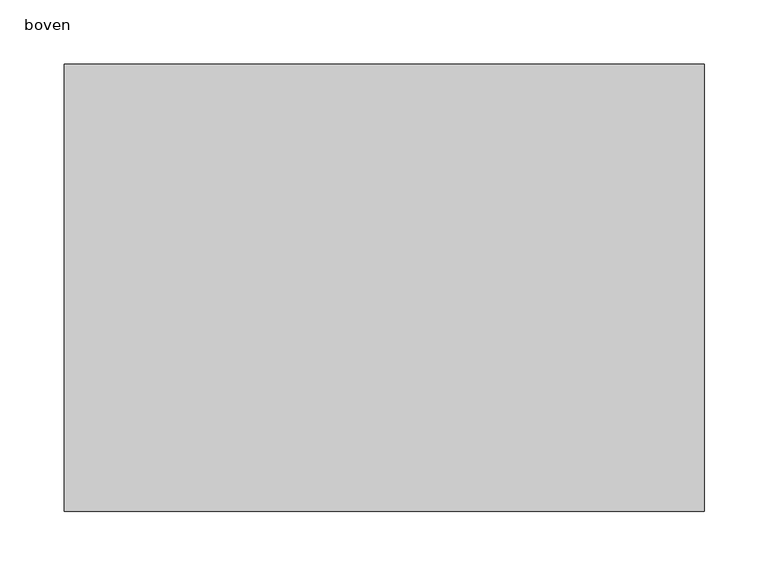
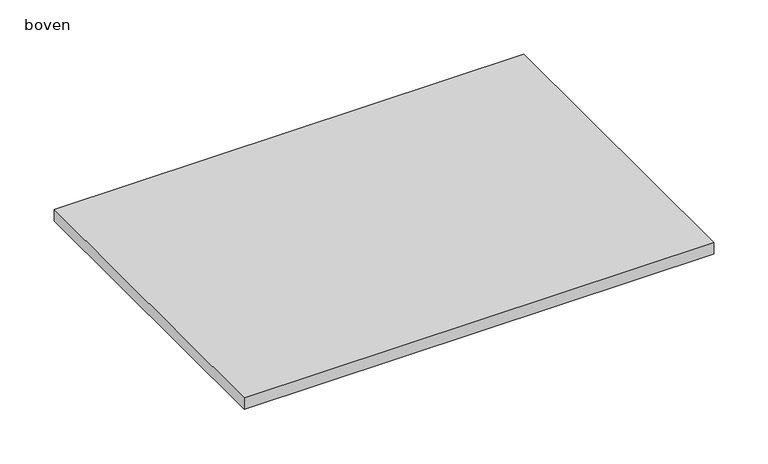
"""IFC4 building model written with IfcOpenShell, lengths in millimetres: furniture geometry, boven."""

from ifc_helpers import new_model, si_unit, frame, origin, place, context, project, spatial, polyline, circle_curve, source, transform, mapped, element, save
from ifc_brep_helpers import plane_surface, revolved_surface, advanced_brep


def boven_765894f6(model_context):
    return source(origin(), model_context, "Body", "AdvancedBrep", [
        advanced_brep(
        [(250.0, 175.0, 13.0), (-250.0, 175.0, 13.0), (-250.0, -175.0, 13.0), (250.0, -175.0, 13.0), (250.0, 175.0, 0.0), (250.0, -175.0, 0.0), (-250.0, -175.0, 0.0), (-250.0, 175.0, 0.0), (-82.1, 90.0, 0.0), (-77.9, 90.0, 0.0), (-49.1, 30.0, 0.0), (-44.9, 30.0, 0.0), (67.9, 90.0, 0.0), (72.1, 90.0, 0.0), (100.9, 30.0, 0.0), (105.1, 30.0, 0.0), (-49.1, -30.0, 0.0), (-44.9, -30.0, 0.0), (-82.1, -90.0, 0.0), (-77.9, -90.0, 0.0), (100.9, -30.0, 0.0), (105.1, -30.0, 0.0), (67.9, -90.0, 0.0), (72.1, -90.0, 0.0), (-82.1, 90.0, 11.0), (-77.9, 90.0, 11.0), (-49.1, 30.0, 11.0), (-44.9, 30.0, 11.0), (-49.1, -30.0, 11.0), (-44.9, -30.0, 11.0), (-82.1, -90.0, 11.0), (-77.9, -90.0, 11.0), (67.9, 90.0, 11.0), (72.1, 90.0, 11.0), (100.9, 30.0, 11.0), (105.1, 30.0, 11.0), (100.9, -30.0, 11.0), (105.1, -30.0, 11.0), (67.9, -90.0, 11.0), (72.1, -90.0, 11.0)],
        [
            (0, 1),
            (1, 2),
            (2, 3),
            (3, 0),
            (4, 5),
            (5, 6),
            (6, 7),
            (7, 4),
            (8, 9, circle_curve(frame((-80.0, 90.0, 0.0), z_axis=(0.0, 0.0, 1.0), x_axis=(1.0, 0.0, 0.0)), 2.1)),
            (9, 8, circle_curve(frame((-80.0, 90.0, 0.0), z_axis=(0.0, 0.0, 1.0), x_axis=(1.0, 0.0, 0.0)), 2.1)),
            (10, 11, circle_curve(frame((-47.0, 30.0, 0.0), z_axis=(0.0, 0.0, 1.0), x_axis=(1.0, 0.0, 0.0)), 2.1)),
            (11, 10, circle_curve(frame((-47.0, 30.0, 0.0), z_axis=(0.0, 0.0, 1.0), x_axis=(1.0, 0.0, 0.0)), 2.1)),
            (12, 13, circle_curve(frame((70.0, 90.0, 0.0), z_axis=(0.0, 0.0, 1.0), x_axis=(1.0, 0.0, 0.0)), 2.1)),
            (13, 12, circle_curve(frame((70.0, 90.0, 0.0), z_axis=(0.0, 0.0, 1.0), x_axis=(1.0, 0.0, 0.0)), 2.1)),
            (14, 15, circle_curve(frame((103.0, 30.0, 0.0), z_axis=(0.0, 0.0, 1.0), x_axis=(1.0, 0.0, 0.0)), 2.1)),
            (15, 14, circle_curve(frame((103.0, 30.0, 0.0), z_axis=(0.0, 0.0, 1.0), x_axis=(1.0, 0.0, 0.0)), 2.1)),
            (16, 17, circle_curve(frame((-47.0, -30.0, 0.0), z_axis=(0.0, 0.0, 1.0), x_axis=(1.0, 0.0, 0.0)), 2.1)),
            (17, 16, circle_curve(frame((-47.0, -30.0, 0.0), z_axis=(0.0, 0.0, 1.0), x_axis=(1.0, 0.0, 0.0)), 2.1)),
            (18, 19, circle_curve(frame((-80.0, -90.0, 0.0), z_axis=(0.0, 0.0, 1.0), x_axis=(1.0, 0.0, 0.0)), 2.1)),
            (19, 18, circle_curve(frame((-80.0, -90.0, 0.0), z_axis=(0.0, 0.0, 1.0), x_axis=(1.0, 0.0, 0.0)), 2.1)),
            (20, 21, circle_curve(frame((103.0, -30.0, 0.0), z_axis=(0.0, 0.0, 1.0), x_axis=(1.0, 0.0, 0.0)), 2.1)),
            (21, 20, circle_curve(frame((103.0, -30.0, 0.0), z_axis=(0.0, 0.0, 1.0), x_axis=(1.0, 0.0, 0.0)), 2.1)),
            (22, 23, circle_curve(frame((70.0, -90.0, 0.0), z_axis=(0.0, 0.0, 1.0), x_axis=(1.0, 0.0, 0.0)), 2.1)),
            (23, 22, circle_curve(frame((70.0, -90.0, 0.0), z_axis=(0.0, 0.0, 1.0), x_axis=(1.0, 0.0, 0.0)), 2.1)),
            (0, 4),
            (7, 1),
            (6, 2),
            (5, 3),
            (24, 25, circle_curve(frame((-80.0, 90.0, 11.0), z_axis=(0.0, 0.0, -1.0), x_axis=(1.0, 0.0, 0.0)), 2.1)),
            (25, 24, circle_curve(frame((-80.0, 90.0, 11.0), z_axis=(0.0, 0.0, -1.0), x_axis=(1.0, 0.0, 0.0)), 2.1)),
            (26, 27, circle_curve(frame((-47.0, 30.0, 11.0), z_axis=(0.0, 0.0, -1.0), x_axis=(1.0, 0.0, 0.0)), 2.1)),
            (27, 26, circle_curve(frame((-47.0, 30.0, 11.0), z_axis=(0.0, 0.0, -1.0), x_axis=(1.0, 0.0, 0.0)), 2.1)),
            (28, 29, circle_curve(frame((-47.0, -30.0, 11.0), z_axis=(0.0, 0.0, -1.0), x_axis=(1.0, 0.0, 0.0)), 2.1)),
            (29, 28, circle_curve(frame((-47.0, -30.0, 11.0), z_axis=(0.0, 0.0, -1.0), x_axis=(1.0, 0.0, 0.0)), 2.1)),
            (30, 31, circle_curve(frame((-80.0, -90.0, 11.0), z_axis=(0.0, 0.0, -1.0), x_axis=(1.0, 0.0, 0.0)), 2.1)),
            (31, 30, circle_curve(frame((-80.0, -90.0, 11.0), z_axis=(0.0, 0.0, -1.0), x_axis=(1.0, 0.0, 0.0)), 2.1)),
            (25, 9),
            (8, 24),
            (27, 11),
            (10, 26),
            (32, 33, circle_curve(frame((70.0, 90.0, 11.0), z_axis=(0.0, 0.0, -1.0), x_axis=(1.0, 0.0, 0.0)), 2.1)),
            (33, 32, circle_curve(frame((70.0, 90.0, 11.0), z_axis=(0.0, 0.0, -1.0), x_axis=(1.0, 0.0, 0.0)), 2.1)),
            (34, 35, circle_curve(frame((103.0, 30.0, 11.0), z_axis=(0.0, 0.0, -1.0), x_axis=(1.0, 0.0, 0.0)), 2.1)),
            (35, 34, circle_curve(frame((103.0, 30.0, 11.0), z_axis=(0.0, 0.0, -1.0), x_axis=(1.0, 0.0, 0.0)), 2.1)),
            (36, 37, circle_curve(frame((103.0, -30.0, 11.0), z_axis=(0.0, 0.0, -1.0), x_axis=(1.0, 0.0, 0.0)), 2.1)),
            (37, 36, circle_curve(frame((103.0, -30.0, 11.0), z_axis=(0.0, 0.0, -1.0), x_axis=(1.0, 0.0, 0.0)), 2.1)),
            (38, 39, circle_curve(frame((70.0, -90.0, 11.0), z_axis=(0.0, 0.0, -1.0), x_axis=(1.0, 0.0, 0.0)), 2.1)),
            (39, 38, circle_curve(frame((70.0, -90.0, 11.0), z_axis=(0.0, 0.0, -1.0), x_axis=(1.0, 0.0, 0.0)), 2.1)),
            (33, 13),
            (12, 32),
            (35, 15),
            (14, 34),
            (29, 17),
            (16, 28),
            (31, 19),
            (18, 30),
            (37, 21),
            (20, 36),
            (39, 23),
            (22, 38),
        ],
        [
            plane_surface(frame((-250.0, 175.0, 13.0), z_axis=(0.0, 0.0, 1.0), x_axis=(-1.0, 0.0, 0.0))),
            plane_surface(frame((-250.0, 175.0, 0.0), z_axis=(0.0, 0.0, -1.0), x_axis=(1.0, 0.0, 0.0))),
            plane_surface(frame((250.0, 175.0, 13.0), z_axis=(0.0, 1.0, 0.0), x_axis=(0.0, 0.0, -1.0))),
            plane_surface(frame((-250.0, 175.0, 13.0), z_axis=(-1.0, 0.0, 0.0), x_axis=(0.0, 0.0, -1.0))),
            plane_surface(frame((-250.0, -175.0, 13.0), z_axis=(0.0, -1.0, 0.0), x_axis=(0.0, 0.0, -1.0))),
            plane_surface(frame((250.0, -175.0, 13.0), z_axis=(1.0, 0.0, 0.0), x_axis=(0.0, 0.0, -1.0))),
            plane_surface(frame((-77.9, 90.0, 11.0), z_axis=(0.0, 0.0, -1.0), x_axis=(0.0, 1.0, 0.0))),
            revolved_surface(polyline([(-77.9, 90.0, 11.0), (-77.9, 90.0, 0.0)]), (-80.0, 90.0, -10.0), (0.0, 0.0, 1.0)),
            revolved_surface(polyline([(-44.9, 30.0, 11.0), (-44.9, 30.0, 0.0)]), (-47.0, 30.0, 0.0), (0.0, 0.0, 1.0)),
            plane_surface(frame((72.1, 90.0, 11.0), z_axis=(0.0, 0.0, -1.0), x_axis=(0.0, 1.0, 0.0))),
            revolved_surface(polyline([(72.1, 90.0, 11.0), (72.1, 90.0, 0.0)]), (70.0, 90.0, -10.0), (0.0, 0.0, 1.0)),
            revolved_surface(polyline([(105.1, 30.0, 11.0), (105.1, 30.0, 0.0)]), (103.0, 30.0, 0.0), (0.0, 0.0, 1.0)),
            revolved_surface(polyline([(-44.9, -30.0, 11.0), (-44.9, -30.0, 0.0)]), (-47.0, -30.0, 0.0), (0.0, 0.0, 1.0)),
            revolved_surface(polyline([(-77.9, -90.0, 11.0), (-77.9, -90.0, 0.0)]), (-80.0, -90.0, 0.0), (0.0, 0.0, 1.0)),
            revolved_surface(polyline([(105.1, -30.0, 11.0), (105.1, -30.0, 0.0)]), (103.0, -30.0, 0.0), (0.0, 0.0, 1.0)),
            revolved_surface(polyline([(72.1, -90.0, 11.0), (72.1, -90.0, 0.0)]), (70.0, -90.0, 0.0), (0.0, 0.0, 1.0)),
        ],
        [
            (0, [[1, 2, 3, 4]]),
            (1, [[5, 6, 7, 8], [9, 10], [11, 12], [13, 14], [15, 16], [17, 18], [19, 20], [21, 22], [23, 24]]),
            (2, [[-1, 25, -8, 26]]),
            (3, [[-2, -26, -7, 27]]),
            (4, [[-3, -27, -6, 28]]),
            (5, [[-4, -28, -5, -25]]),
            (6, [[29, 30]]),
            (6, [[31, 32]]),
            (6, [[33, 34]]),
            (6, [[35, 36]]),
            (7, [[-30, 37, -9, 38]]),
            (7, [[-29, -38, -10, -37]]),
            (8, [[-32, 39, -11, 40]]),
            (8, [[-31, -40, -12, -39]]),
            (9, [[41, 42]]),
            (9, [[43, 44]]),
            (9, [[45, 46]]),
            (9, [[47, 48]]),
            (10, [[-42, 49, -13, 50]]),
            (10, [[-41, -50, -14, -49]]),
            (11, [[-44, 51, -15, 52]]),
            (11, [[-43, -52, -16, -51]]),
            (12, [[-34, 53, -17, 54]]),
            (12, [[-33, -54, -18, -53]]),
            (13, [[-36, 55, -19, 56]]),
            (13, [[-35, -56, -20, -55]]),
            (14, [[-46, 57, -21, 58]]),
            (14, [[-45, -58, -22, -57]]),
            (15, [[-48, 59, -23, 60]]),
            (15, [[-47, -60, -24, -59]]),
        ],
    ),
    ])


if __name__ == "__main__":
    model = new_model("IFC4")
    model_context = context("Model", 3, world=origin())
    ifc_project = project(units=[si_unit("LENGTHUNIT", "METRE", prefix="MILLI")], contexts=[model_context])
    site = spatial("IfcSite", under=ifc_project)
    building = spatial("IfcBuilding", under=site)
    placement = place(None, origin())
    boven_shape = boven_765894f6(model_context)
    element("IfcFurniture", 1, ObjectType="boven", at=placement, inside=building, context=model_context, shape_type="MappedRepresentation", body=[
        mapped(boven_shape, transform((0.0, 0.0, 0.0), x_axis=(1.0, 0.0, 0.0), y_axis=(0.0, 1.0, 0.0), z_axis=(0.0, 0.0, 1.0))),
    ])
    save(model, "model.ifc")
